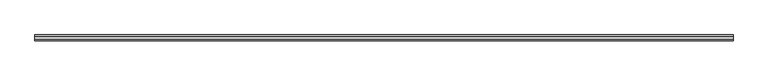
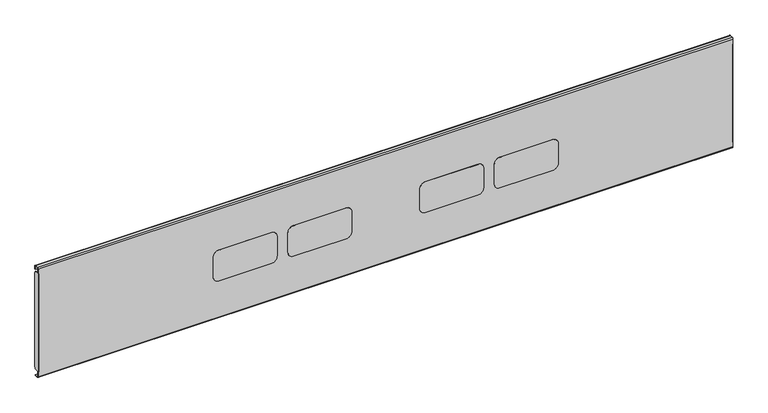
"""IFC4 building model written with IfcOpenShell, lengths in millimetres: furniture geometry."""

from ifc_helpers import new_model, si_unit, point, frame, frame_2d, origin, place, context, project, spatial, polyline, circle_curve, trimmed, segment, composite_curve, outline, extrude, source, transform, mapped, element, save


def furniture_f011b1f4(model_context):
    return source(origin(), model_context, "Body", "SweptSolid", [
        extrude(outline(composite_curve([segment(polyline([(616.0389877, 317.758802), (580.6970512, 317.758802)]), True, "CONTINUOUS"), segment(trimmed(circle_curve(frame_2d((580.6970512, 327.294023)), 9.535221), [point((580.6970512, 317.758802))], [point((571.1618302, 327.294023))], False, "CARTESIAN"), True, "CONTINUOUS"), segment(polyline([(571.1618302, 327.294023), (571.1618302, 415.9669938)]), True, "CONTINUOUS"), segment(trimmed(circle_curve(frame_2d((580.9036446, 415.9669938)), 9.7418143), [point((571.1618302, 415.9669938))], [point((580.9036446, 425.7088081))], False, "CARTESIAN"), True, "CONTINUOUS"), segment(polyline([(580.9036446, 425.7088081), (616.7203082, 425.7088081)]), True, "CONTINUOUS"), segment(trimmed(circle_curve(frame_2d((616.7203082, 416.4032762)), 9.3055319), [point((616.7203082, 425.7088081))], [point((626.0258401, 416.4032762))], False, "CARTESIAN"), True, "CONTINUOUS"), segment(polyline([(626.0258401, 416.4032762), (626.0258401, 327.7456544)]), True, "CONTINUOUS"), segment(trimmed(circle_curve(frame_2d((616.0389877, 327.7456544)), 9.9868524), [point((626.0258401, 327.7456544))], [point((616.0389877, 317.758802))], False, "CARTESIAN"), True, "CONTINUOUS")], self_intersect=False)), frame((0.0, -10.4020823, 0.0), z_axis=(0.0, 1.0, 0.0), x_axis=(0.0, 0.0, 1.0)), (0.0, 0.0, 1.0), 0.2886826),
        extrude(outline(composite_curve([segment(polyline([(616.0389877, 444.0476051), (580.6970512, 444.0476051)]), True, "CONTINUOUS"), segment(trimmed(circle_curve(frame_2d((580.6970512, 453.5828261)), 9.535221), [point((580.6970512, 444.0476051))], [point((571.1618302, 453.5828261))], False, "CARTESIAN"), True, "CONTINUOUS"), segment(polyline([(571.1618302, 453.5828261), (571.1618302, 542.2557787)]), True, "CONTINUOUS"), segment(trimmed(circle_curve(frame_2d((580.9036446, 542.2557787)), 9.7418143), [point((571.1618302, 542.2557787))], [point((580.9036446, 551.997593))], False, "CARTESIAN"), True, "CONTINUOUS"), segment(polyline([(580.9036446, 551.997593), (616.7203082, 551.997593)]), True, "CONTINUOUS"), segment(trimmed(circle_curve(frame_2d((616.7203082, 542.6920611)), 9.3055319), [point((616.7203082, 551.997593))], [point((626.0258401, 542.6920611))], False, "CARTESIAN"), True, "CONTINUOUS"), segment(polyline([(626.0258401, 542.6920611), (626.0258401, 454.0344575)]), True, "CONTINUOUS"), segment(trimmed(circle_curve(frame_2d((616.0389877, 454.0344575)), 9.9868524), [point((626.0258401, 454.0344575))], [point((616.0389877, 444.0476051))], False, "CARTESIAN"), True, "CONTINUOUS")], self_intersect=False)), frame((0.0, -10.4020823, 0.0), z_axis=(0.0, 1.0, 0.0), x_axis=(0.0, 0.0, 1.0)), (0.0, 0.0, 1.0), 0.2886826),
        extrude(outline(composite_curve([segment(polyline([(616.0389877, 667.3851962), (580.6970512, 667.3851962)]), True, "CONTINUOUS"), segment(trimmed(circle_curve(frame_2d((580.6970512, 676.9204172)), 9.535221), [point((580.6970512, 667.3851962))], [point((571.1618302, 676.9204172))], False, "CARTESIAN"), True, "CONTINUOUS"), segment(polyline([(571.1618302, 676.9204172), (571.1618302, 765.5933698)]), True, "CONTINUOUS"), segment(trimmed(circle_curve(frame_2d((580.9036446, 765.5933698)), 9.7418143), [point((571.1618302, 765.5933698))], [point((580.9036446, 775.3351841))], False, "CARTESIAN"), True, "CONTINUOUS"), segment(polyline([(580.9036446, 775.3351841), (616.7203082, 775.3351841)]), True, "CONTINUOUS"), segment(trimmed(circle_curve(frame_2d((616.7203082, 766.0296522)), 9.3055319), [point((616.7203082, 775.3351841))], [point((626.0258401, 766.0296522))], False, "CARTESIAN"), True, "CONTINUOUS"), segment(polyline([(626.0258401, 766.0296522), (626.0258401, 677.3720486)]), True, "CONTINUOUS"), segment(trimmed(circle_curve(frame_2d((616.0389877, 677.3720486)), 9.9868524), [point((626.0258401, 677.3720486))], [point((616.0389877, 667.3851962))], False, "CARTESIAN"), True, "CONTINUOUS")], self_intersect=False)), frame((0.0, -10.4020823, 0.0), z_axis=(0.0, 1.0, 0.0), x_axis=(0.0, 0.0, 1.0)), (0.0, 0.0, 1.0), 0.2886826),
        extrude(outline(composite_curve([segment(polyline([(616.0389877, 793.6739811), (580.6970512, 793.6739811)]), True, "CONTINUOUS"), segment(trimmed(circle_curve(frame_2d((580.6970512, 803.2092021)), 9.535221), [point((580.6970512, 793.6739811))], [point((571.1618302, 803.2092021))], False, "CARTESIAN"), True, "CONTINUOUS"), segment(polyline([(571.1618302, 803.2092021), (571.1618302, 891.8821729)]), True, "CONTINUOUS"), segment(trimmed(circle_curve(frame_2d((580.9036446, 891.8821729)), 9.7418143), [point((571.1618302, 891.8821729))], [point((580.9036446, 901.6239872))], False, "CARTESIAN"), True, "CONTINUOUS"), segment(polyline([(580.9036446, 901.6239872), (616.7203082, 901.6239872)]), True, "CONTINUOUS"), segment(trimmed(circle_curve(frame_2d((616.7203082, 892.3184553)), 9.3055319), [point((616.7203082, 901.6239872))], [point((626.0258401, 892.3184553))], False, "CARTESIAN"), True, "CONTINUOUS"), segment(polyline([(626.0258401, 892.3184553), (626.0258401, 803.6608335)]), True, "CONTINUOUS"), segment(trimmed(circle_curve(frame_2d((616.0389877, 803.6608335)), 9.9868524), [point((626.0258401, 803.6608335))], [point((616.0389877, 793.6739811))], False, "CARTESIAN"), True, "CONTINUOUS")], self_intersect=False)), frame((0.0, -10.4020823, 0.0), z_axis=(0.0, 1.0, 0.0), x_axis=(0.0, 0.0, 1.0)), (0.0, 0.0, 1.0), 0.2886826),
        extrude(outline(composite_curve([segment(trimmed(circle_curve(frame_2d((-3.7291712, 686.8262094)), 3.1957713), [point((-3.7291712, 690.0219807))], [point((-0.5334, 686.8262094))], False, "CARTESIAN"), True, "CONTINUOUS"), segment(polyline([(-0.5334, 686.8262094), (-0.5334, 518.3179711)]), True, "CONTINUOUS"), segment(trimmed(circle_curve(frame_2d((-3.8693602, 518.3179711)), 3.3359602), [point((-0.5334, 518.3179711))], [point((-3.8693602, 514.9820108))], False, "CARTESIAN"), True, "CONTINUOUS"), segment(polyline([(-3.8693602, 514.9820108), (-10.1133997, 514.9820108), (-10.1133997, 690.0219807), (-3.7291712, 690.0219807)]), True, "CONTINUOUS")], self_intersect=False)), frame((1197.0225161, 0.0, 0.0), z_axis=(1.0, 0.0, 0.0), x_axis=(0.0, 1.0, 0.0)), (0.0, 0.0, 1.0), 0.8160839),
        extrude(outline(composite_curve([segment(trimmed(circle_curve(frame_2d((-3.7291712, 686.8262094)), 3.1957713), [point((-3.7291712, 690.0219807))], [point((-0.5334, 686.8262094))], False, "CARTESIAN"), True, "CONTINUOUS"), segment(polyline([(-0.5334, 686.8262094), (-0.5334, 518.3179711)]), True, "CONTINUOUS"), segment(trimmed(circle_curve(frame_2d((-3.8693602, 518.3179711)), 3.3359602), [point((-0.5334, 518.3179711))], [point((-3.8693602, 514.9820108))], False, "CARTESIAN"), True, "CONTINUOUS"), segment(polyline([(-3.8693602, 514.9820108), (-10.1133997, 514.9820108), (-10.1133997, 690.0219807), (-3.7291712, 690.0219807)]), True, "CONTINUOUS")], self_intersect=False)), frame((21.3614, 0.0, 0.0), z_axis=(1.0, 0.0, 0.0), x_axis=(0.0, 1.0, 0.0)), (0.0, 0.0, 1.0), 0.8160953),
        extrude(outline(composite_curve([segment(trimmed(circle_curve(frame_2d((-8.0812247, 505.9349516)), 1.1729565), [point((-9.2541812, 505.9349516))], [point((-8.0812247, 504.7619951))], True, "CARTESIAN"), True, "CONTINUOUS"), segment(polyline([(-8.0812247, 504.7619951), (-2.0802599, 504.7619951), (-2.0802599, 503.9524031), (-7.8210029, 503.9524031)]), True, "CONTINUOUS"), segment(trimmed(circle_curve(frame_2d((-7.8210029, 506.2447998)), 2.2923967), [point((-7.8210029, 503.9524031))], [point((-10.1133997, 506.2447998))], False, "CARTESIAN"), True, "CONTINUOUS"), segment(polyline([(-10.1133997, 506.2447998), (-10.1133997, 698.9356498)]), True, "CONTINUOUS"), segment(trimmed(circle_curve(frame_2d((-8.0470704, 698.9356498)), 2.0663293), [point((-10.1133997, 698.9356498))], [point((-8.0470704, 701.0019791))], False, "CARTESIAN"), True, "CONTINUOUS"), segment(polyline([(-8.0470704, 701.0019791), (-2.6421502, 701.0019791)]), True, "CONTINUOUS"), segment(trimmed(circle_curve(frame_2d((-2.6421502, 698.8591335)), 2.1428456), [point((-2.6421502, 701.0019791))], [point((-0.4993046, 698.8591335))], False, "CARTESIAN"), True, "CONTINUOUS"), segment(polyline([(-0.4993046, 698.8591335), (-0.4993046, 693.0032856), (-1.2934, 693.0032856), (-1.2934, 698.9068456)]), True, "CONTINUOUS"), segment(trimmed(circle_curve(frame_2d((-2.6285508, 698.9068456)), 1.3351508), [point((-1.2934, 698.9068456))], [point((-2.6285508, 700.2419964))], True, "CARTESIAN"), True, "CONTINUOUS"), segment(polyline([(-2.6285508, 700.2419964), (-7.9847197, 700.2419964)]), True, "CONTINUOUS"), segment(trimmed(circle_curve(frame_2d((-7.9847197, 698.9725349)), 1.2694615), [point((-7.9847197, 700.2419964))], [point((-9.2541812, 698.9725349))], True, "CARTESIAN"), True, "CONTINUOUS"), segment(polyline([(-9.2541812, 698.9725349), (-9.2541812, 505.9349516)]), True, "CONTINUOUS")], self_intersect=False)), frame((21.3614, 0.0, 0.0), z_axis=(1.0, 0.0, 0.0), x_axis=(0.0, 1.0, 0.0)), (0.0, 0.0, 1.0), 1176.4772),
    ])


if __name__ == "__main__":
    model = new_model("IFC4")
    model_context = context("Model", 3, world=origin())
    ifc_project = project(units=[si_unit("LENGTHUNIT", "METRE", prefix="MILLI")], contexts=[model_context])
    site = spatial("IfcSite", under=ifc_project)
    building = spatial("IfcBuilding", under=site)
    placement = place(None, origin())
    furniture_shape = furniture_f011b1f4(model_context)
    element("IfcFurniture", 1, at=placement, inside=building, context=model_context, shape_type="MappedRepresentation", body=[
        mapped(furniture_shape, transform((0.0, 0.0, 0.0), x_axis=(1.0, 0.0, 0.0), y_axis=(0.0, 1.0, 0.0), z_axis=(0.0, 0.0, 1.0))),
    ])
    save(model, "model.ifc")
